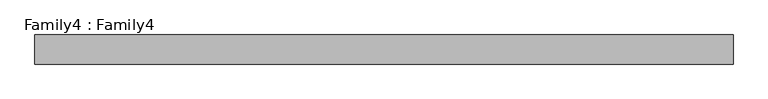
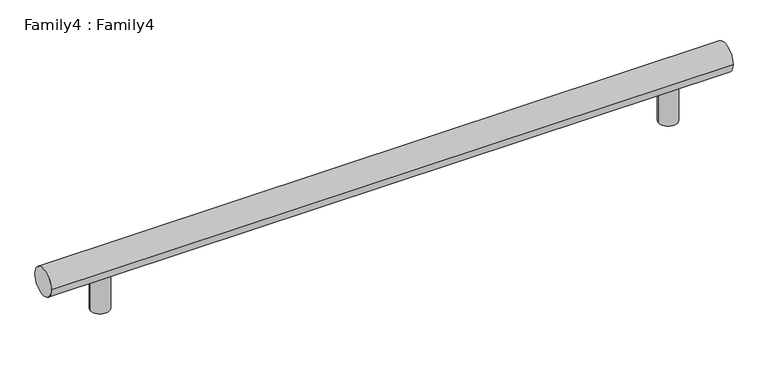
"""IFC4 building model written with IfcOpenShell, lengths in millimetres: proxy geometry, Family4 : Family4."""

from ifc_helpers import new_model, si_unit, point, frame, frame_2d, origin, origin_with_axes, place, context, project, spatial, circle_curve, trimmed, segment, composite_curve, outline, extrude, source, transform, mapped, element, save


def family4_family4_c6414588(model_context):
    return source(origin(), model_context, "Body", "SweptSolid", [
        extrude(outline(composite_curve([segment(trimmed(circle_curve(frame_2d((-762.0, 152.4)), 25.4), [point((-787.4, 152.4))], [point((-736.6, 152.4))], False, "CARTESIAN"), True, "CONTINUOUS"), segment(trimmed(circle_curve(frame_2d((-762.0, 152.4)), 25.4), [point((-736.6, 152.4))], [point((-787.4, 152.4))], False, "CARTESIAN"), True, "CONTINUOUS")], self_intersect=False)), origin_with_axes(), (0.0, 0.0, 1.0), 101.6),
        extrude(outline(composite_curve([segment(trimmed(circle_curve(frame_2d((762.0, 152.4)), 25.4), [point((736.6, 152.4))], [point((787.4, 152.4))], False, "CARTESIAN"), True, "CONTINUOUS"), segment(trimmed(circle_curve(frame_2d((762.0, 152.4)), 25.4), [point((787.4, 152.4))], [point((736.6, 152.4))], False, "CARTESIAN"), True, "CONTINUOUS")], self_intersect=False)), origin_with_axes(), (0.0, 0.0, 1.0), 101.6),
        extrude(outline(composite_curve([segment(trimmed(circle_curve(frame_2d((152.4, 127.0)), 38.1), [point((190.5, 127.0))], [point((114.3, 127.0))], False, "CARTESIAN"), True, "CONTINUOUS"), segment(trimmed(circle_curve(frame_2d((152.4, 127.0)), 38.1), [point((114.3, 127.0))], [point((190.5, 127.0))], False, "CARTESIAN"), True, "CONTINUOUS")], self_intersect=False)), frame((-914.4, 0.0, 0.0), z_axis=(1.0, 0.0, 0.0), x_axis=(0.0, 1.0, 0.0)), (0.0, 0.0, 1.0), 1828.8),
    ])


if __name__ == "__main__":
    model = new_model("IFC4")
    model_context = context("Model", 3, world=origin())
    ifc_project = project(units=[si_unit("LENGTHUNIT", "METRE", prefix="MILLI")], contexts=[model_context])
    site = spatial("IfcSite", under=ifc_project)
    building = spatial("IfcBuilding", under=site)
    placement = place(None, origin())
    family4_family4_shape = family4_family4_c6414588(model_context)
    element("IfcBuildingElementProxy", 1, Name="Family4 : Family4", ObjectType="Family4 : Family4", at=placement, inside=building, context=model_context, shape_type="MappedRepresentation", body=[
        mapped(family4_family4_shape, transform((0.0, 0.0, 0.0), x_axis=(1.0, 0.0, 0.0), y_axis=(0.0, 1.0, 0.0), z_axis=(0.0, 0.0, 1.0))),
    ])
    save(model, "model.ifc")
